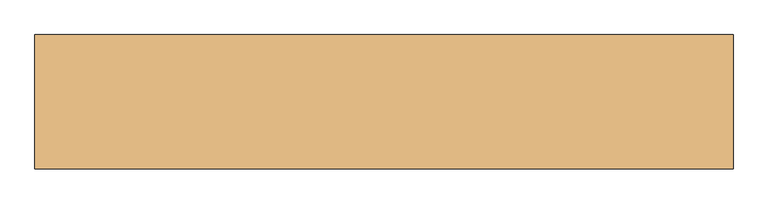
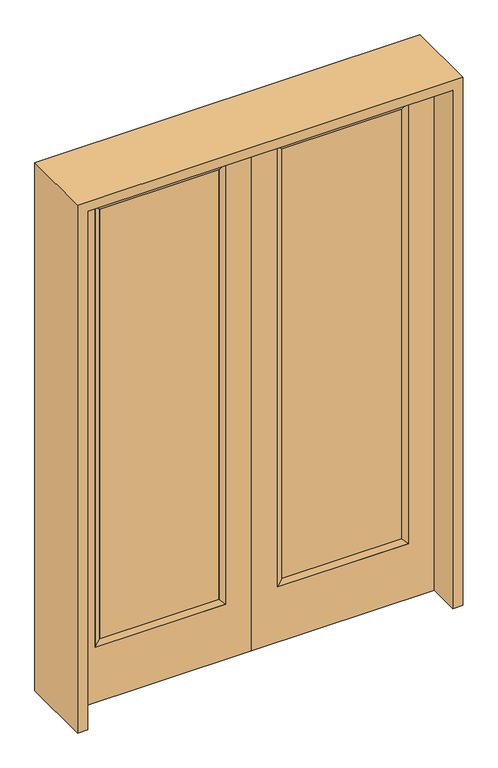
"""IFC4 building model written with IfcOpenShell, lengths in millimetres: door geometry."""

from ifc_helpers import new_model, si_unit, frame, origin, place, context, project, spatial, polyline, outline, extrude, faceted_brep, source, transform, mapped, element, save


def door_46b90ad0(model_context):
    return source(origin(), model_context, "Body", "SolidModel", [
        extrude(outline(polyline([(140.8176, -12.7039749), (140.8176, 14.2875), (671.9824, 14.2875), (671.9824, -12.7039749), (140.8176, -12.7039749)])), frame((0.0, 0.0, 285.75), z_axis=(0.0, 0.0, 1.0), x_axis=(1.0, 0.0, 0.0)), (0.0, 0.0, 1.0), 2019.3),
        faceted_brep([(140.8176, 14.2875, 2305.05), (140.8176, 14.2875, 285.75), (115.4176, 22.225, 260.35), (115.4176, 22.225, 2330.45), (115.4176, -22.225, 260.35), (115.4176, -22.225, 2330.45), (671.9824, 14.2875, 285.75), (697.3824, 22.225, 260.35), (140.8176, -12.7039749, 2305.05), (140.8176, -12.7039749, 285.75), (671.9824, -12.7039749, 285.75), (697.3824, -22.225, 260.35), (671.9824, 14.2875, 2305.05), (697.3824, 22.225, 2330.45), (671.9824, -12.7039749, 2305.05), (697.3824, -22.225, 2330.45)], [[[0, 1, 2, 3]], [[3, 2, 4, 5]], [[1, 6, 7, 2]], [[8, 9, 1, 0]], [[9, 10, 6, 1]], [[5, 4, 9, 8]], [[4, 11, 10, 9]], [[2, 7, 11, 4]], [[6, 12, 13, 7]], [[10, 14, 12, 6]], [[11, 15, 14, 10]], [[7, 13, 15, 11]], [[12, 0, 3, 13]], [[14, 8, 0, 12]], [[15, 5, 8, 14]], [[13, 3, 5, 15]]]),
        extrude(outline(polyline([(0.0, 812.8), (2438.4, 812.8), (2438.4, 0.0), (0.0, 0.0), (0.0, 812.8)]), holes=[polyline([(260.35, 697.3824), (260.35, 115.4176), (2330.45, 115.4176), (2330.45, 697.3824), (260.35, 697.3824)])]), frame((0.0, -22.225, 0.0), z_axis=(0.0, 1.0, 0.0), x_axis=(0.0, 0.0, 1.0)), (0.0, 0.0, 1.0), 44.45),
        extrude(outline(polyline([(-140.8176, -12.7039749), (-671.9824, -12.7039749), (-671.9824, 14.2875), (-140.8176, 14.2875), (-140.8176, -12.7039749)])), frame((0.0, 0.0, 285.75), z_axis=(0.0, 0.0, 1.0), x_axis=(1.0, 0.0, 0.0)), (0.0, 0.0, 1.0), 2019.3),
        faceted_brep([(-140.8176, 14.2875, 2305.05), (-115.4176, 22.225, 2330.45), (-115.4176, 22.225, 260.35), (-140.8176, 14.2875, 285.75), (-115.4176, -22.225, 2330.45), (-115.4176, -22.225, 260.35), (-697.3824, 22.225, 260.35), (-671.9824, 14.2875, 285.75), (-140.8176, -12.7039749, 2305.05), (-140.8176, -12.7039749, 285.75), (-671.9824, -12.7039749, 285.75), (-697.3824, -22.225, 260.35), (-697.3824, 22.225, 2330.45), (-671.9824, 14.2875, 2305.05), (-671.9824, -12.7039749, 2305.05), (-697.3824, -22.225, 2330.45)], [[[0, 1, 2, 3]], [[1, 4, 5, 2]], [[3, 2, 6, 7]], [[8, 0, 3, 9]], [[9, 3, 7, 10]], [[4, 8, 9, 5]], [[5, 9, 10, 11]], [[2, 5, 11, 6]], [[7, 6, 12, 13]], [[10, 7, 13, 14]], [[11, 10, 14, 15]], [[6, 11, 15, 12]], [[13, 12, 1, 0]], [[14, 13, 0, 8]], [[15, 14, 8, 4]], [[12, 15, 4, 1]]]),
        extrude(outline(polyline([(0.0, -812.8), (0.0, 0.0), (2438.4, 0.0), (2438.4, -812.8), (0.0, -812.8)]), holes=[polyline([(260.35, -697.3824), (2330.45, -697.3824), (2330.45, -115.4176), (260.35, -115.4176), (260.35, -697.3824)])]), frame((0.0, -22.225, 0.0), z_axis=(0.0, 1.0, 0.0), x_axis=(0.0, 0.0, 1.0)), (0.0, 0.0, 1.0), 44.45),
        extrude(outline(polyline([(2482.85, -857.25), (0.0, -857.25), (0.0, -812.8), (2438.4, -812.8), (2438.4, 812.8), (0.0, 812.8), (0.0, 857.25), (2482.85, 857.25), (2482.85, -857.25)])), frame((0.0, -165.1, 0.0), z_axis=(0.0, 1.0, 0.0), x_axis=(0.0, 0.0, 1.0)), (0.0, 0.0, 1.0), 330.2),
    ])


if __name__ == "__main__":
    model = new_model("IFC4")
    model_context = context("Model", 3, world=origin())
    ifc_project = project(units=[si_unit("LENGTHUNIT", "METRE", prefix="MILLI")], contexts=[model_context])
    site = spatial("IfcSite", under=ifc_project)
    building = spatial("IfcBuilding", under=site)
    placement = place(None, origin())
    door_shape = door_46b90ad0(model_context)
    element("IfcDoor", 1, at=placement, inside=building, context=model_context, shape_type="MappedRepresentation", body=[
        mapped(door_shape, transform((0.0, 0.0, 0.0), x_axis=(1.0, 0.0, 0.0), y_axis=(0.0, 1.0, 0.0), z_axis=(0.0, 0.0, 1.0))),
    ])
    save(model, "model.ifc")
